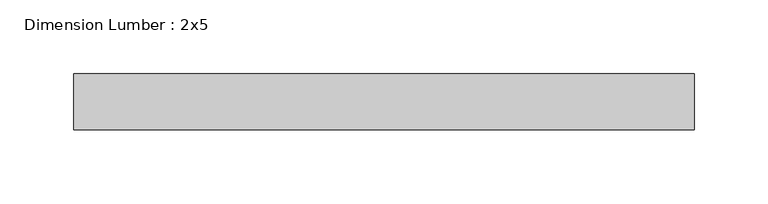
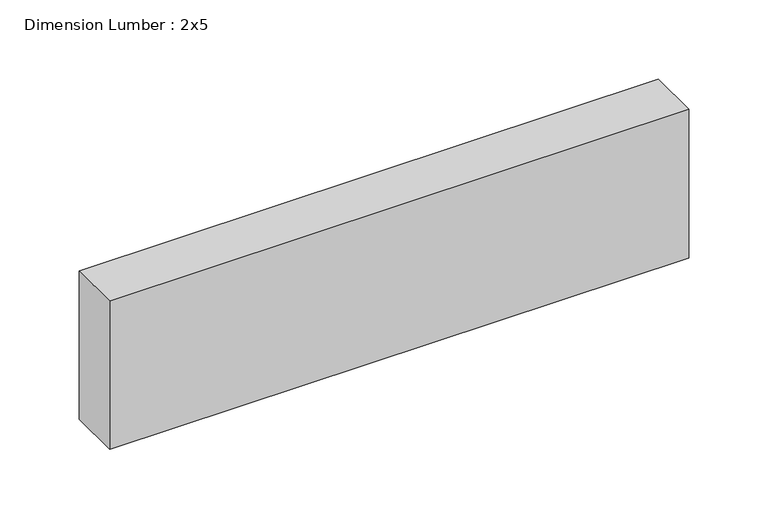
"""IFC4 building model written with IfcOpenShell, lengths in millimetres: beam geometry, Dimension Lumber : 2x5."""

from ifc_helpers import new_model, si_unit, frame, origin, place, context, project, spatial, polyline, outline, extrude, source, transform, mapped, element, save


def dimension_lumber_2x5_7640e22b(model_context):
    return source(origin(), model_context, "Body", "SweptSolid", [
        extrude(outline(polyline([(207.9062666, 19.05), (207.9062666, -19.05), (-213.0128883, -19.05), (-213.0128883, 19.05), (207.9062666, 19.05)])), frame((0.0, 0.0, -57.15), z_axis=(0.0, 0.0, 1.0), x_axis=(1.0, 0.0, 0.0)), (0.0, 0.0, 1.0), 114.3),
    ])


if __name__ == "__main__":
    model = new_model("IFC4")
    model_context = context("Model", 3, world=origin())
    ifc_project = project(units=[si_unit("LENGTHUNIT", "METRE", prefix="MILLI")], contexts=[model_context])
    site = spatial("IfcSite", under=ifc_project)
    building = spatial("IfcBuilding", under=site)
    placement = place(None, origin())
    dimension_lumber_2x5_shape = dimension_lumber_2x5_7640e22b(model_context)
    element("IfcBeam", 1, ObjectType="Dimension Lumber : 2x5", at=placement, inside=building, context=model_context, shape_type="MappedRepresentation", body=[
        mapped(dimension_lumber_2x5_shape, transform((0.0, 0.0, 0.0), x_axis=(1.0, 0.0, 0.0), y_axis=(0.0, 1.0, 0.0), z_axis=(0.0, 0.0, 1.0))),
    ])
    save(model, "model.ifc")
